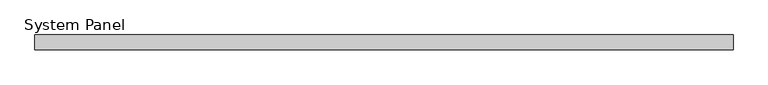
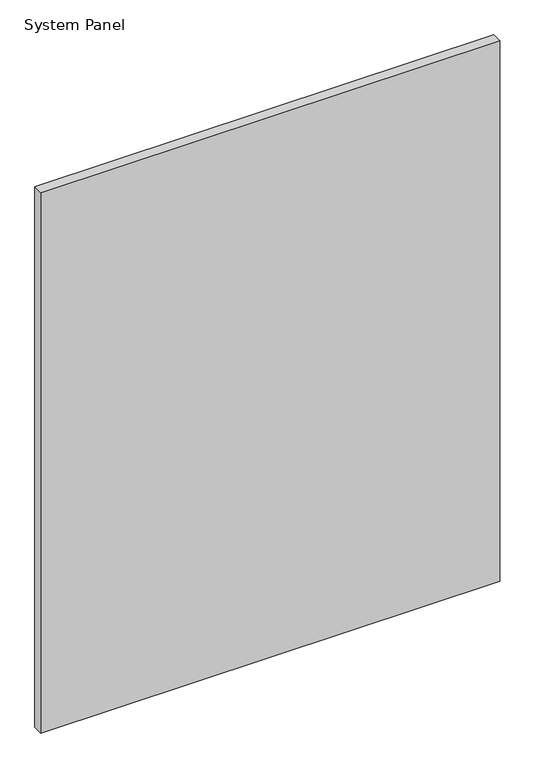
"""IFC4 building model written with IfcOpenShell, lengths in millimetres: plate geometry, System Panel."""

from ifc_helpers import new_model, si_unit, origin, origin_with_axes, place, context, project, spatial, polyline, outline, extrude, source, transform, mapped, element, save


def system_panel_8e3f1d8f(model_context):
    return source(origin(), model_context, "Body", "SweptSolid", [
        extrude(outline(polyline([(590.55, -22.225), (-590.55, -22.225), (-590.55, 3.175), (590.55, 3.175), (590.55, -22.225)])), origin_with_axes(), (0.0, 0.0, 1.0), 1470.4548678),
    ])


if __name__ == "__main__":
    model = new_model("IFC4")
    model_context = context("Model", 3, world=origin())
    ifc_project = project(units=[si_unit("LENGTHUNIT", "METRE", prefix="MILLI")], contexts=[model_context])
    site = spatial("IfcSite", under=ifc_project)
    building = spatial("IfcBuilding", under=site)
    placement = place(None, origin())
    system_panel_shape = system_panel_8e3f1d8f(model_context)
    element("IfcPlate", 1, ObjectType="System Panel", at=placement, inside=building, context=model_context, shape_type="MappedRepresentation", body=[
        mapped(system_panel_shape, transform((0.0, 0.0, 0.0), x_axis=(1.0, 0.0, 0.0), y_axis=(0.0, 1.0, 0.0), z_axis=(0.0, 0.0, 1.0))),
    ])
    save(model, "model.ifc")
